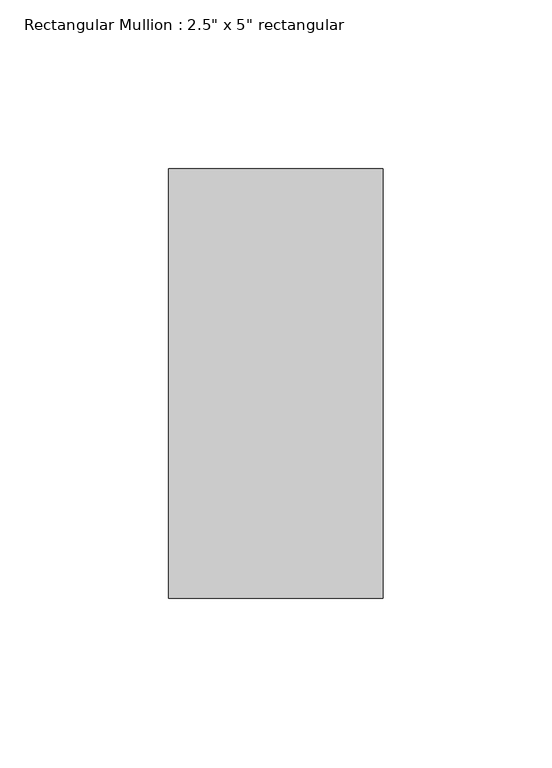
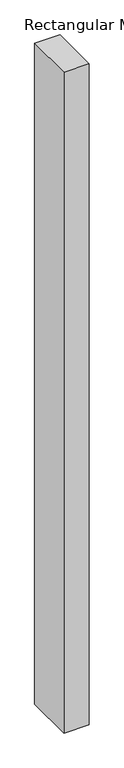
"""IFC4 building model written with IfcOpenShell, lengths in millimetres: member geometry."""

from ifc_helpers import new_model, si_unit, frame, origin, place, context, project, spatial, polyline, outline, extrude, source, transform, mapped, element, save


def member_770f762d(model_context):
    return source(origin(), model_context, "Body", "SweptSolid", [
        extrude(outline(polyline([(0.0, 63.5), (0.0, -63.5), (-63.5, -63.5), (-63.5, 63.5), (0.0, 63.5)])), frame((0.0, 0.0, -1753.95), z_axis=(0.0, 0.0, 1.0), x_axis=(1.0, 0.0, 0.0)), (0.0, 0.0, 1.0), 1753.95),
    ])


if __name__ == "__main__":
    model = new_model("IFC4")
    model_context = context("Model", 3, world=origin())
    ifc_project = project(units=[si_unit("LENGTHUNIT", "METRE", prefix="MILLI")], contexts=[model_context])
    site = spatial("IfcSite", under=ifc_project)
    building = spatial("IfcBuilding", under=site)
    placement = place(None, origin())
    member_shape = member_770f762d(model_context)
    element("IfcMember", 1, ObjectType="Rectangular Mullion : 2.5\" x 5\" rectangular", at=placement, inside=building, context=model_context, shape_type="MappedRepresentation", body=[
        mapped(member_shape, transform((0.0, 0.0, 0.0), x_axis=(1.0, 0.0, 0.0), y_axis=(0.0, 1.0, 0.0), z_axis=(0.0, 0.0, 1.0))),
    ])
    save(model, "model.ifc")
